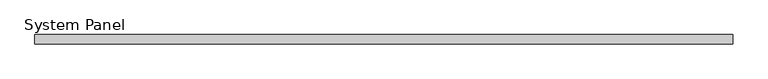
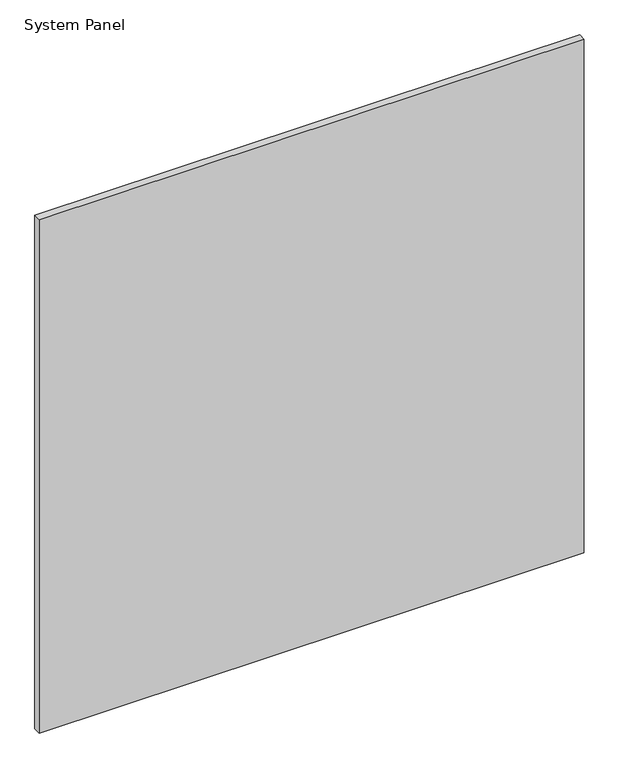
"""IFC4 building model written with IfcOpenShell, lengths in millimetres: plate geometry, System Panel."""

from ifc_helpers import new_model, si_unit, origin, origin_with_axes, place, context, project, spatial, polyline, outline, extrude, source, transform, mapped, element, save


def system_panel_c6f230cd(model_context):
    return source(origin(), model_context, "Body", "SweptSolid", [
        extrude(outline(polyline([(595.0, -8.0), (-595.0, -8.0), (-595.0, 8.0), (595.0, 8.0), (595.0, -8.0)])), origin_with_axes(), (0.0, 0.0, 1.0), 1185.0),
    ])


if __name__ == "__main__":
    model = new_model("IFC4")
    model_context = context("Model", 3, world=origin())
    ifc_project = project(units=[si_unit("LENGTHUNIT", "METRE", prefix="MILLI")], contexts=[model_context])
    site = spatial("IfcSite", under=ifc_project)
    building = spatial("IfcBuilding", under=site)
    placement = place(None, origin())
    system_panel_shape = system_panel_c6f230cd(model_context)
    element("IfcPlate", 1, ObjectType="System Panel", at=placement, inside=building, context=model_context, shape_type="MappedRepresentation", body=[
        mapped(system_panel_shape, transform((0.0, 0.0, 0.0), x_axis=(1.0, 0.0, 0.0), y_axis=(0.0, 1.0, 0.0), z_axis=(0.0, 0.0, 1.0))),
    ])
    save(model, "model.ifc")
